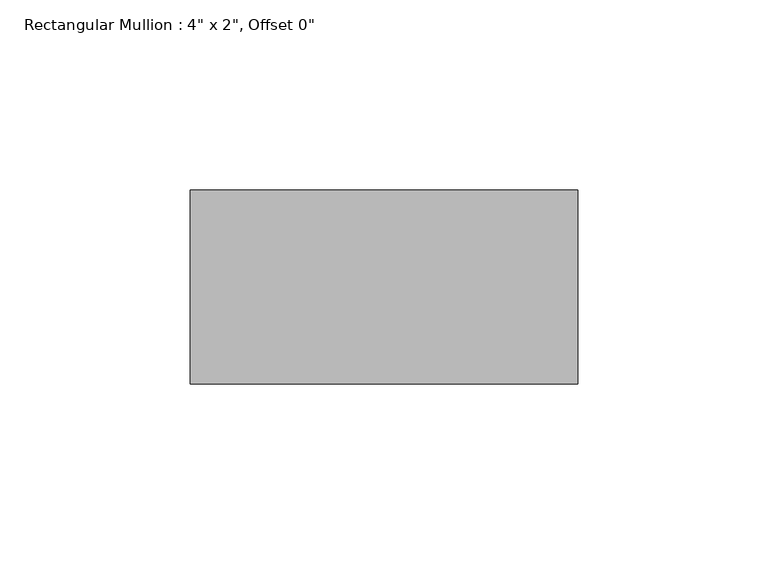
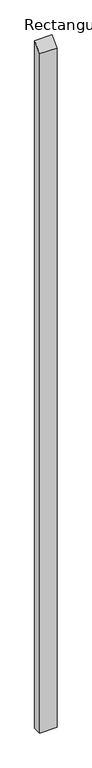
"""IFC4 building model written with IfcOpenShell, lengths in millimetres: member geometry."""

import ifcopenshell
import ifcopenshell.guid

model = None  # the IFC model being written
_history = None  # IfcOwnerHistory: only IFC2X3 demands one
_inside = {}  # id of a spatial element -> (the spatial element, [elements in it])
_under = {}  # id of a project, library or spatial element -> (it, [spatial elements below it])
_declared = {}  # id of a project -> (the project, [libraries it declares])
_typed = {}  # id of a type object -> (the type object, [elements of that type])
_made_of = {}  # id of a material, layer set ... -> (it, [elements and type objects made of it])


def new_model(schema):
    """Start an empty IFC model of exactly this schema.

    Asked for "IFC4X3", IfcOpenShell would pick the latest addendum, in which some entities
    have other attributes; the version numbers below select the first issue.
    IFC2X3 requires an IfcOwnerHistory on every rooted entity: one is made here for all.
    """
    global model, _history
    if schema == "IFC4X3":
        model = ifcopenshell.file(schema_version=(4, 3, 0, 0))
    else:
        model = ifcopenshell.file(schema=schema)
    _inside.clear()
    _under.clear()
    _declared.clear()
    _typed.clear()
    _made_of.clear()
    _history = None
    if model.schema == "IFC2X3":
        org = make("IfcOrganization", Name="unknown")
        user = make(
            "IfcPersonAndOrganization",
            ThePerson=make("IfcPerson", FamilyName="unknown"),
            TheOrganization=org,
        )
        app = make(
            "IfcApplication",
            ApplicationDeveloper=org,
            Version="unknown",
            ApplicationFullName="unknown",
            ApplicationIdentifier="unknown",
        )
        _history = make(
            "IfcOwnerHistory",
            OwningUser=user,
            OwningApplication=app,
            ChangeAction="ADDED",
            CreationDate=0,
        )
    return model


def make(cls, **values):
    """One entity of the class cls with the attributes given. An attribute that is None is left unset."""
    return model.create_entity(
        cls, **{name: value for name, value in values.items() if value is not None}
    )


def rooted(cls, **values):
    """An entity with a GlobalId (a new one), such as an element, a storey or a relation."""
    return make(cls, GlobalId=ifcopenshell.guid.new(), OwnerHistory=_history, **values)


def si_unit(unit_type, name, prefix=None):
    """IfcSIUnit, for example si_unit("LENGTHUNIT", "METRE", prefix="MILLI")."""
    return make("IfcSIUnit", UnitType=unit_type, Prefix=prefix, Name=name)


def assignment(units):
    """IfcUnitAssignment: the units of a project."""
    return None if units is None else make("IfcUnitAssignment", Units=units)


def point(xyz):
    """IfcCartesianPoint."""
    return None if xyz is None else make("IfcCartesianPoint", Coordinates=xyz)


def direction(xyz):
    """IfcDirection."""
    return None if xyz is None else make("IfcDirection", DirectionRatios=xyz)


def frame(location, z_axis=None, x_axis=None):
    """IfcAxis2Placement3D, a coordinate frame: its origin and axes. An axis left out is left unset."""
    return make(
        "IfcAxis2Placement3D",
        Location=point(location),
        Axis=direction(z_axis),
        RefDirection=direction(x_axis),
    )


def origin():
    """The frame at (0, 0, 0) with its axes left unset."""
    return frame((0.0, 0.0, 0.0))


def place(relative_to, where):
    """IfcLocalPlacement: puts the frame where relative to a parent placement (None: the world)."""
    return make(
        "IfcLocalPlacement", PlacementRelTo=relative_to, RelativePlacement=where
    )


def context(
    kind, dimensions, precision=None, world=None, true_north=None, identifier=None
):
    """IfcGeometricRepresentationContext, for example the 3D "Model" context."""
    return make(
        "IfcGeometricRepresentationContext",
        ContextIdentifier=identifier,
        ContextType=kind,
        CoordinateSpaceDimension=dimensions,
        Precision=precision,
        WorldCoordinateSystem=world,
        TrueNorth=true_north,
    )


def project(units=None, contexts=None):
    """IfcProject with its units and contexts."""
    return rooted(
        "IfcProject",
        Name="project",
        RepresentationContexts=contexts,
        UnitsInContext=assignment(units),
    )


def spatial(cls, under=None, at=None, **own):
    """A site, building, storey or space (cls), placed at a placement, below another one or the project."""
    s = rooted(cls, ObjectPlacement=at, **own)
    if under is not None:
        _under.setdefault(under.id(), (under, []))[1].append(s)
    return s


def polyline(points):
    """IfcPolyline through the points."""
    return make("IfcPolyline", Points=[point(p) for p in points])


def outline(outer, holes=None, kind="AREA"):
    """IfcArbitraryClosedProfileDef: a profile drawn as a closed curve; with holes, ...WithVoids."""
    if holes is None:
        return make("IfcArbitraryClosedProfileDef", ProfileType=kind, OuterCurve=outer)
    return make(
        "IfcArbitraryProfileDefWithVoids",
        ProfileType=kind,
        OuterCurve=outer,
        InnerCurves=holes,
    )


def extrude(swept, where, along, depth):
    """IfcExtrudedAreaSolid: the profile swept, set in the frame where, extruded along a direction by depth."""
    return make(
        "IfcExtrudedAreaSolid",
        SweptArea=swept,
        Position=where,
        ExtrudedDirection=direction(along),
        Depth=depth,
    )


def shape(context_of_items, identifier, shape_type, items):
    """IfcShapeRepresentation: the items that make up one representation, for example the "Body"."""
    return make(
        "IfcShapeRepresentation",
        ContextOfItems=context_of_items,
        RepresentationIdentifier=identifier,
        RepresentationType=shape_type,
        Items=items,
    )


def source(mapping_origin, context_of_items, identifier, shape_type, items):
    """IfcRepresentationMap: a shape defined once, which mapped items show again and again."""
    return make(
        "IfcRepresentationMap",
        MappingOrigin=mapping_origin,
        MappedRepresentation=shape(context_of_items, identifier, shape_type, items),
    )


def transform(
    local_origin,
    x_axis=None,
    y_axis=None,
    z_axis=None,
    scale=None,
    scale2=None,
    scale3=None,
    uniform=True,
):
    """IfcCartesianTransformationOperator3D, or its non-uniform kind. x_axis, y_axis, z_axis: its Axis1, 2, 3."""
    if uniform:
        return make(
            "IfcCartesianTransformationOperator3D",
            Axis1=direction(x_axis),
            Axis2=direction(y_axis),
            LocalOrigin=point(local_origin),
            Scale=scale,
            Axis3=direction(z_axis),
        )
    return make(
        "IfcCartesianTransformationOperator3DnonUniform",
        Axis1=direction(x_axis),
        Axis2=direction(y_axis),
        LocalOrigin=point(local_origin),
        Scale=scale,
        Axis3=direction(z_axis),
        Scale2=scale2,
        Scale3=scale3,
    )


def mapped(mapping_source, mapping_target):
    """IfcMappedItem: shows the shape of a source again, moved by a transform."""
    return make(
        "IfcMappedItem", MappingSource=mapping_source, MappingTarget=mapping_target
    )


def made_of(thing, what):
    """Note that an element or type object is made of a material, layer set ...; save() writes the relation."""
    if what is not None:
        _made_of.setdefault(what.id(), (what, []))[1].append(thing)
    return thing


def element(
    cls,
    number,
    at=None,
    inside=None,
    cuts=None,
    type_object=None,
    material=None,
    context=None,
    identifier="Body",
    shape_type=None,
    held_by="IfcProductDefinitionShape",
    body=None,
    shapes=None,
    **own,
):
    """One element of the class cls, such as IfcWall. Its Tag is "e" and its number.

    at: its placement. inside: the storey or other place that contains it. cuts: it is an
    opening in that element (IfcRelVoidsElement). A single representation is given by context,
    identifier, shape_type and body (its items); several are given by shapes. held_by: the class
    of the entity that holds the representations. save() writes the other relations.
    """
    e = rooted(cls, Tag="e%d" % number, ObjectPlacement=at, **own)
    if body is not None:
        shapes = [shape(context, identifier, shape_type, body)]
    if shapes is not None:
        e.Representation = make(held_by, Representations=shapes)
    if inside is not None:
        _inside.setdefault(inside.id(), (inside, []))[1].append(e)
    if cuts is not None:
        rooted(
            "IfcRelVoidsElement", RelatingBuildingElement=cuts, RelatedOpeningElement=e
        )
    if type_object is not None:
        _typed.setdefault(type_object.id(), (type_object, []))[1].append(e)
    return made_of(e, material)


def aggregate(whole, parts):
    """IfcRelAggregates: a whole, such as a stair, and the parts it consists of."""
    return rooted("IfcRelAggregates", RelatingObject=whole, RelatedObjects=parts)


def save(model, path):
    """Write the relations noted so far, then the file.

    IfcRelAggregates (storeys below a building ...), IfcRelContainedInSpatialStructure (elements
    in a storey), IfcRelDefinesByType, IfcRelAssociatesMaterial and IfcRelDeclares: one each for
    every whole, place, type object, material and project.
    """
    for whole, parts in _under.values():
        aggregate(whole, parts)
    for where, things in _inside.values():
        rooted(
            "IfcRelContainedInSpatialStructure",
            RelatedElements=things,
            RelatingStructure=where,
        )
    for kind, things in _typed.values():
        rooted("IfcRelDefinesByType", RelatedObjects=things, RelatingType=kind)
    for what, things in _made_of.values():
        rooted("IfcRelAssociatesMaterial", RelatedObjects=things, RelatingMaterial=what)
    for by, libraries in _declared.values():
        rooted("IfcRelDeclares", RelatingContext=by, RelatedDefinitions=libraries)
    model.write(path)


def member_036c170e(model_context):
    return source(origin(), model_context, "Body", "SweptSolid", [
        extrude(outline(polyline([(-25.4, -25.4), (25.4, 25.4), (25.4, -4216.4), (-25.4, -4216.4), (-25.4, -25.4)])), frame((-101.6, 0.0, 0.0), z_axis=(1.0, 0.0, 0.0), x_axis=(0.0, 1.0, 0.0)), (0.0, 0.0, 1.0), 101.6),
    ])


if __name__ == "__main__":
    model = new_model("IFC4")
    model_context = context("Model", 3, world=origin())
    ifc_project = project(units=[si_unit("LENGTHUNIT", "METRE", prefix="MILLI")], contexts=[model_context])
    site = spatial("IfcSite", under=ifc_project)
    building = spatial("IfcBuilding", under=site)
    placement = place(None, origin())
    member_shape = member_036c170e(model_context)
    element("IfcMember", 1, ObjectType="Rectangular Mullion : 4\" x 2\", Offset 0\"", at=placement, inside=building, context=model_context, shape_type="MappedRepresentation", body=[
        mapped(member_shape, transform((0.0, 0.0, 0.0), x_axis=(1.0, 0.0, 0.0), y_axis=(0.0, 1.0, 0.0), z_axis=(0.0, 0.0, 1.0))),
    ])
    save(model, "model.ifc")
